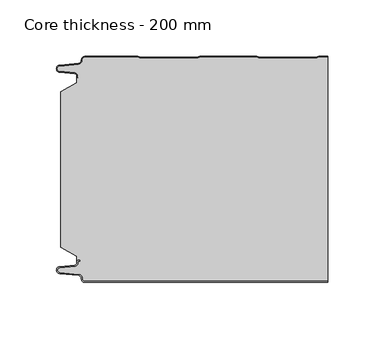
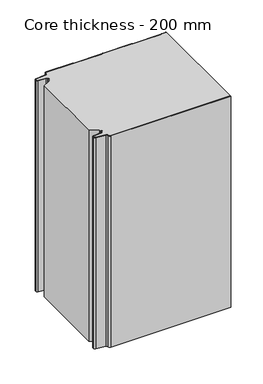
"""IFC4 building model written with IfcOpenShell, lengths in millimetres: plate geometry, Core thickness - 200 mm."""

from ifc_helpers import new_model, si_unit, frame, origin, place, context, project, spatial, polyline, circle_curve, source, transform, mapped, element, save
from ifc_brep_helpers import plane_surface, cylinder_surface, revolved_surface, advanced_brep


def core_thickness_200_mm_0a9386b5(model_context):
    return source(origin(), model_context, "Body", "AdvancedBrep", [
        advanced_brep(
        [(-94.8000003, -199.9996949, 0.0), (-97.9923632, -196.5787437, 0.0), (-100.2560431, -193.9171154, 0.0), (-117.2115315, -192.2546153, 0.0), (-119.9999998, -189.1776715, 0.0), (-117.2115315, -186.1007278, 0.0), (-103.6195785, -184.7680252, 0.0), (-101.9952277, -182.9766159, 0.0), (-101.9952277, -181.8996949, 0.0), (-100.5952277, -180.4996949, 0.0), (-99.4952277, -180.4996949, 0.0), (-99.4952277, -181.2996949, 0.0), (-100.5952277, -181.2996949, 0.0), (-101.1952277, -181.8996949, 0.0), (-101.1952277, -182.9766159, 0.0), (-103.5415122, -185.5642071, 0.0), (-117.1334652, -186.8969097, 0.0), (-119.1999997, -189.1776715, 0.0), (-117.1334652, -191.4584333, 0.0), (-100.1779767, -193.1209335, 0.0), (-97.2078761, -196.6330399, 0.0), (-94.8000003, -199.1996949, 0.0), (119.9999998, -199.2, 0.0), (119.9999998, -199.9996949, 0.0), (-94.8000003, -199.1996949, 400.0), (-97.1942724, -196.6339815, 400.0), (-100.1779767, -193.1209335, 400.0), (-117.1334652, -191.4584333, 400.0), (-119.1999997, -189.1776715, 400.0), (-117.1334652, -186.8969097, 400.0), (-103.5415122, -185.5642071, 400.0), (-101.1952277, -182.9766159, 400.0), (-101.1952277, -181.8996949, 400.0), (-100.5952277, -181.2996949, 400.0), (-99.4952277, -181.2996949, 400.0), (-99.4952277, -180.4996949, 400.0), (-100.5952277, -180.4996949, 400.0), (-101.9952277, -181.8996949, 400.0), (-101.9952277, -182.9766159, 400.0), (-103.6195785, -184.7680252, 400.0), (-117.2115315, -186.1007278, 400.0), (-119.9999998, -189.1776715, 400.0), (-117.2115315, -192.2546153, 400.0), (-100.2560431, -193.9171154, 400.0), (-98.0059668, -196.5778021, 400.0), (-94.8000003, -199.9996949, 400.0), (119.9999998, -199.9996949, 400.0), (119.9999998, -199.2, 400.0)],
        [
            (0, 1, circle_curve(frame((-94.8000003, -196.7996949, 0.0), z_axis=(0.0, 0.0, -1.0), x_axis=(1.0, 0.0, 0.0)), 3.2)),
            (1, 2, circle_curve(frame((-100.5000003, -196.4051839, 0.0), z_axis=(0.0, 0.0, 1.0), x_axis=(1.0, 0.0, 0.0)), 2.5)),
            (2, 3),
            (3, 4, circle_curve(frame((-116.9100003, -189.1793626, 0.0), z_axis=(0.0, 0.0, -1.0), x_axis=(1.0, 0.0, 0.0)), 3.09)),
            (4, 5, circle_curve(frame((-116.9100003, -189.1759805, 0.0), z_axis=(0.0, 0.0, -1.0), x_axis=(1.0, 0.0, 0.0)), 3.09)),
            (5, 6),
            (6, 7, circle_curve(frame((-103.7952277, -182.9766159, 0.0), z_axis=(0.0, 0.0, 1.0), x_axis=(1.0, 0.0, 0.0)), 1.8)),
            (7, 8),
            (8, 9, circle_curve(frame((-100.5952277, -181.8996949, 0.0), z_axis=(0.0, 0.0, -1.0), x_axis=(1.0, 0.0, 0.0)), 1.4)),
            (9, 10),
            (10, 11),
            (11, 12),
            (12, 13, circle_curve(frame((-100.5952277, -181.8996949, 0.0), z_axis=(0.0, 0.0, 1.0), x_axis=(1.0, 0.0, 0.0)), 0.6)),
            (13, 14),
            (14, 15, circle_curve(frame((-103.7952277, -182.9766159, 0.0), z_axis=(0.0, 0.0, -1.0), x_axis=(1.0, 0.0, 0.0)), 2.6)),
            (15, 16),
            (16, 17, circle_curve(frame((-116.9100003, -189.1759805, 0.0), z_axis=(0.0, 0.0, 1.0), x_axis=(1.0, 0.0, 0.0)), 2.29)),
            (17, 18, circle_curve(frame((-116.9100003, -189.1793626, 0.0), z_axis=(0.0, 0.0, 1.0), x_axis=(1.0, 0.0, 0.0)), 2.29)),
            (18, 19),
            (19, 20, circle_curve(frame((-100.5000003, -196.4051839, 0.0), z_axis=(0.0, 0.0, -1.0), x_axis=(1.0, 0.0, 0.0)), 3.3)),
            (20, 21, circle_curve(frame((-94.8000003, -196.7996949, 0.0), z_axis=(0.0, 0.0, 1.0), x_axis=(1.0, 0.0, 0.0)), 2.4)),
            (21, 22),
            (22, 23),
            (23, 0),
            (24, 25, circle_curve(frame((-94.8000003, -196.7996949, 400.0), z_axis=(0.0, 0.0, -1.0), x_axis=(1.0, 0.0, 0.0)), 2.4)),
            (25, 26, circle_curve(frame((-100.5000003, -196.4051839, 400.0), z_axis=(0.0, 0.0, 1.0), x_axis=(1.0, 0.0, 0.0)), 3.3)),
            (26, 27),
            (27, 28, circle_curve(frame((-116.9100003, -189.1793626, 400.0), z_axis=(0.0, 0.0, -1.0), x_axis=(1.0, 0.0, 0.0)), 2.29)),
            (28, 29, circle_curve(frame((-116.9100003, -189.1759805, 400.0), z_axis=(0.0, 0.0, -1.0), x_axis=(1.0, 0.0, 0.0)), 2.29)),
            (29, 30),
            (30, 31, circle_curve(frame((-103.7952277, -182.9766159, 400.0), z_axis=(0.0, 0.0, 1.0), x_axis=(1.0, 0.0, 0.0)), 2.6)),
            (31, 32),
            (32, 33, circle_curve(frame((-100.5952277, -181.8996949, 400.0), z_axis=(0.0, 0.0, -1.0), x_axis=(1.0, 0.0, 0.0)), 0.6)),
            (33, 34),
            (34, 35),
            (35, 36),
            (36, 37, circle_curve(frame((-100.5952277, -181.8996949, 400.0), z_axis=(0.0, 0.0, 1.0), x_axis=(1.0, 0.0, 0.0)), 1.4)),
            (37, 38),
            (38, 39, circle_curve(frame((-103.7952277, -182.9766159, 400.0), z_axis=(0.0, 0.0, -1.0), x_axis=(1.0, 0.0, 0.0)), 1.8)),
            (39, 40),
            (40, 41, circle_curve(frame((-116.9100003, -189.1759805, 400.0), z_axis=(0.0, 0.0, 1.0), x_axis=(1.0, 0.0, 0.0)), 3.09)),
            (41, 42, circle_curve(frame((-116.9100003, -189.1793626, 400.0), z_axis=(0.0, 0.0, 1.0), x_axis=(1.0, 0.0, 0.0)), 3.09)),
            (42, 43),
            (43, 44, circle_curve(frame((-100.5000003, -196.4051839, 400.0), z_axis=(0.0, 0.0, -1.0), x_axis=(1.0, 0.0, 0.0)), 2.5)),
            (44, 45, circle_curve(frame((-94.8000003, -196.7996949, 400.0), z_axis=(0.0, 0.0, 1.0), x_axis=(1.0, 0.0, 0.0)), 3.2)),
            (45, 46),
            (46, 47),
            (47, 24),
            (21, 24),
            (47, 22),
            (20, 25),
            (19, 26),
            (18, 27),
            (17, 28),
            (16, 29),
            (15, 30),
            (14, 31),
            (13, 32),
            (12, 33),
            (11, 34),
            (10, 35),
            (9, 36),
            (8, 37),
            (7, 38),
            (6, 39),
            (5, 40),
            (4, 41),
            (3, 42),
            (2, 43),
            (1, 44),
            (0, 45),
            (23, 46),
        ],
        [
            plane_surface(frame((-119.9999998, -200.0, 0.0), z_axis=(0.0, 0.0, -1.0), x_axis=(0.0, 1.0, 0.0))),
            plane_surface(frame((-119.9999998, -200.0, 400.0), z_axis=(0.0, 0.0, 1.0), x_axis=(0.0, 1.0, 0.0))),
            plane_surface(frame((-94.8000003, -199.2, 0.0), z_axis=(0.0, 1.0, 0.0), x_axis=(0.0, 0.0, 1.0))),
            revolved_surface(polyline([(-92.40000029999999, -196.7996949, 400.0), (-92.40000029999999, -196.7996949, 0.0)]), (-94.8000003, -196.7996949, 0.0), (0.0, 0.0, 1.0)),
            cylinder_surface(frame((-100.5000003, -196.4051839, 0.0), z_axis=(0.0, 0.0, -1.0), x_axis=(1.0, 0.0, 0.0)), 3.3),
            plane_surface(frame((-117.1334652, -191.4584333, 0.0), z_axis=(0.09758289975914758, 0.9952273999818314, 0.0), x_axis=(0.0, 0.0, 1.0))),
            revolved_surface(polyline([(-114.62000029999999, -189.1793626, 400.0), (-114.62000029999999, -189.1793626, 0.0)]), (-116.9100003, -189.1793626, 0.0), (0.0, 0.0, 1.0)),
            revolved_surface(polyline([(-114.62000029999999, -189.1759805, 400.0), (-114.62000029999999, -189.1759805, 0.0)]), (-116.9100003, -189.1759805, 0.0), (0.0, 0.0, 1.0)),
            plane_surface(frame((-103.5415122, -185.5642071, 0.0), z_axis=(0.09758289975914383, -0.9952273999818317, 0.0), x_axis=(0.0, 0.0, 1.0))),
            cylinder_surface(frame((-103.7952277, -182.9766159, 0.0), z_axis=(0.0, 0.0, -1.0), x_axis=(1.0, 0.0, 0.0)), 2.6),
            plane_surface(frame((-101.1952277, -181.8996949, 0.0), z_axis=(1.0, 0.0, 0.0), x_axis=(0.0, 0.0, 1.0))),
            revolved_surface(polyline([(-99.9952277, -181.8996949, 400.0), (-99.9952277, -181.8996949, 0.0)]), (-100.5952277, -181.8996949, 0.0), (0.0, 0.0, 1.0)),
            plane_surface(frame((-99.4952277, -181.2996949, 0.0), z_axis=(0.0, -1.0, 0.0), x_axis=(0.0, 0.0, 1.0))),
            plane_surface(frame((-99.4952277, -180.4996949, 0.0), z_axis=(1.0, 0.0, 0.0), x_axis=(0.0, 0.0, 1.0))),
            plane_surface(frame((-100.5952277, -180.4996949, 0.0), z_axis=(0.0, 1.0, 0.0), x_axis=(0.0, 0.0, 1.0))),
            cylinder_surface(frame((-100.5952277, -181.8996949, 0.0), z_axis=(0.0, 0.0, -1.0), x_axis=(1.0, 0.0, 0.0)), 1.4),
            plane_surface(frame((-101.9952277, -182.9766159, 0.0), z_axis=(-1.0, 0.0, 0.0), x_axis=(0.0, 0.0, 1.0))),
            revolved_surface(polyline([(-101.9952277, -182.9766159, 400.0), (-101.9952277, -182.9766159, 0.0)]), (-103.7952277, -182.9766159, 0.0), (0.0, 0.0, 1.0)),
            plane_surface(frame((-117.2115315, -186.1007278, 0.0), z_axis=(-0.09758289975914387, 0.9952273999818317, 0.0), x_axis=(0.0, 0.0, 1.0))),
            cylinder_surface(frame((-116.9100003, -189.1759805, 0.0), z_axis=(0.0, 0.0, -1.0), x_axis=(1.0, 0.0, 0.0)), 3.09),
            cylinder_surface(frame((-116.9100003, -189.1793626, 0.0), z_axis=(0.0, 0.0, -1.0), x_axis=(1.0, 0.0, 0.0)), 3.09),
            plane_surface(frame((-100.2560431, -193.9171154, 0.0), z_axis=(-0.09758289975914762, -0.9952273999818314, 0.0), x_axis=(0.0, 0.0, 1.0))),
            revolved_surface(polyline([(-98.0000003, -196.4051839, 400.0), (-98.0000003, -196.4051839, 0.0)]), (-100.5000003, -196.4051839, 0.0), (0.0, 0.0, 1.0)),
            cylinder_surface(frame((-94.8000003, -196.7996949, 0.0), z_axis=(0.0, 0.0, -1.0), x_axis=(1.0, 0.0, 0.0)), 3.2),
            plane_surface(frame((896.009932, -199.9996949, 0.0), z_axis=(0.0, -1.0, 0.0), x_axis=(0.0, 0.0, 1.0))),
            plane_surface(frame((119.9999998, 180.0, 400.0), z_axis=(1.0, 0.0, 0.0), x_axis=(0.0, 0.0, -1.0))),
        ],
        [
            (0, [[1, 2, 3, 4, 5, 6, 7, 8, 9, 10, 11, 12, 13, 14, 15, 16, 17, 18, 19, 20, 21, 22, 23, 24]]),
            (1, [[25, 26, 27, 28, 29, 30, 31, 32, 33, 34, 35, 36, 37, 38, 39, 40, 41, 42, 43, 44, 45, 46, 47, 48]]),
            (2, [[49, -48, 50, -22]]),
            (3, [[-21, 51, -25, -49]]),
            (4, [[-20, 52, -26, -51]]),
            (5, [[-19, 53, -27, -52]]),
            (6, [[-18, 54, -28, -53]]),
            (7, [[-17, 55, -29, -54]]),
            (8, [[-16, 56, -30, -55]]),
            (9, [[-15, 57, -31, -56]]),
            (10, [[-14, 58, -32, -57]]),
            (11, [[-13, 59, -33, -58]]),
            (12, [[-12, 60, -34, -59]]),
            (13, [[-11, 61, -35, -60]]),
            (14, [[-10, 62, -36, -61]]),
            (15, [[-9, 63, -37, -62]]),
            (16, [[-8, 64, -38, -63]]),
            (17, [[-7, 65, -39, -64]]),
            (18, [[-6, 66, -40, -65]]),
            (19, [[-5, 67, -41, -66]]),
            (20, [[-4, 68, -42, -67]]),
            (21, [[-3, 69, -43, -68]]),
            (22, [[-2, 70, -44, -69]]),
            (23, [[-1, 71, -45, -70]]),
            (24, [[-71, -24, 72, -46]]),
            (25, [[-23, -50, -47, -72]]),
        ],
    ),
        advanced_brep(
        [(-101.9952277, -23.1062917, 400.0), (-116.0446509, -31.1628062, 400.0), (-116.0446509, -168.7531937, 400.0), (-101.9952277, -176.8937083, 400.0), (-101.9952277, -180.4996949, 400.0), (-101.9952277, -181.8996949, 400.0), (-100.5952277, -180.4996949, 400.0), (-99.4952277, -180.4996949, 400.0), (-99.4952277, -181.2996949, 400.0), (-100.5952277, -181.2996949, 400.0), (-101.1952277, -181.8996949, 400.0), (-101.1952277, -182.9766159, 400.0), (-103.5415122, -185.5642071, 400.0), (-117.1334652, -186.8969097, 400.0), (-119.1999997, -189.1776715, 400.0), (-117.1334652, -191.4584333, 400.0), (-100.1779767, -193.1209335, 400.0), (-97.2078761, -196.6330399, 400.0), (-94.8000003, -199.1996949, 400.0), (119.9999998, -199.2, 400.0), (119.9999998, -0.8, 400.0), (112.3119565, -0.8, 400.0), (111.2605406, -1.0986697, 400.0), (109.8401597, -1.5003051, 400.0), (59.6803765, -1.5003051, 400.0), (58.2609651, -1.0971009, 400.0), (57.2085797, -0.8, 400.0), (7.0487965, -0.8, 400.0), (5.9973806, -1.0986697, 400.0), (4.5769997, -1.5003051, 400.0), (-45.5827835, -1.5003051, 400.0), (-47.0021949, -1.0971009, 400.0), (-48.0545803, -0.8, 400.0), (-94.8000003, -0.8, 400.0), (-97.1942724, -3.3660185, 400.0), (-100.1779767, -6.8790665, 400.0), (-117.1334652, -8.5415667, 400.0), (-119.1999997, -10.8223285, 400.0), (-117.1334652, -13.1030903, 400.0), (-103.5415122, -14.4357929, 400.0), (-101.1952277, -17.0233841, 400.0), (-101.1952277, -18.1003051, 400.0), (-100.5952277, -18.7003051, 400.0), (-99.4952277, -18.7003051, 400.0), (-99.4952277, -19.5003051, 400.0), (-100.5952277, -19.5003051, 400.0), (-101.9952277, -18.1003051, 400.0), (-101.9952277, -19.5003051, 400.0), (-101.9952277, -176.8937083, 0.0), (-116.0446509, -168.7531937, 0.0), (-116.0446509, -31.1628062, 0.0), (-101.9952277, -23.1062917, 0.0), (-101.9952277, -19.5003051, 0.0), (-101.9952277, -18.1003051, 0.0), (-100.5952277, -19.5003051, 0.0), (-99.4952277, -19.5003051, 0.0), (-99.4952277, -18.7003051, 0.0), (-100.5952277, -18.7003051, 0.0), (-101.1952277, -18.1003051, 0.0), (-101.1952277, -17.0233841, 0.0), (-103.5415122, -14.4357929, 0.0), (-117.1334652, -13.1030903, 0.0), (-119.1999997, -10.8223285, 0.0), (-117.1334652, -8.5415667, 0.0), (-100.1779767, -6.8790665, 0.0), (-97.2078761, -3.3669601, 0.0), (-94.8000003, -0.8003051, 0.0), (-48.0545803, -0.8, 0.0), (-47.0031645, -1.0986697, 0.0), (-45.5827835, -1.5003051, 0.0), (4.5769997, -1.5003051, 0.0), (5.9964111, -1.0971009, 0.0), (7.0487965, -0.8, 0.0), (57.2085797, -0.8, 0.0), (58.2599955, -1.0986697, 0.0), (59.6803765, -1.5003051, 0.0), (109.8401597, -1.5003051, 0.0), (111.2595711, -1.0971009, 0.0), (112.3119565, -0.8, 0.0), (119.9999998, -0.8, 0.0), (119.9999998, -199.2, 0.0), (-94.8000003, -199.2, 0.0), (-97.1942724, -196.6339815, 0.0), (-100.1779767, -193.1209335, 0.0), (-117.1334652, -191.4584333, 0.0), (-119.1999997, -189.1776715, 0.0), (-117.1334652, -186.8969097, 0.0), (-103.5415122, -185.5642071, 0.0), (-101.1952277, -182.9766159, 0.0), (-101.1952277, -181.8996949, 0.0), (-100.5952277, -181.2996949, 0.0), (-99.4952277, -181.2996949, 0.0), (-99.4952277, -180.4996949, 0.0), (-100.5952277, -180.4996949, 0.0), (-101.9952277, -181.8996949, 0.0), (-101.9952277, -180.4996949, 0.0)],
        [
            (0, 1),
            (1, 2),
            (2, 3),
            (3, 4),
            (4, 5),
            (5, 6, circle_curve(frame((-100.5952277, -181.8996949, 400.0), z_axis=(0.0, 0.0, -1.0), x_axis=(1.0, 0.0, 0.0)), 1.4)),
            (6, 7),
            (7, 8),
            (8, 9),
            (9, 10, circle_curve(frame((-100.5952277, -181.8996949, 400.0), z_axis=(0.0, 0.0, 1.0), x_axis=(1.0, 0.0, 0.0)), 0.6)),
            (10, 11),
            (11, 12, circle_curve(frame((-103.7952277, -182.9766159, 400.0), z_axis=(0.0, 0.0, -1.0), x_axis=(1.0, 0.0, 0.0)), 2.6)),
            (12, 13),
            (13, 14, circle_curve(frame((-116.9100003, -189.1759805, 400.0), z_axis=(0.0, 0.0, 1.0), x_axis=(1.0, 0.0, 0.0)), 2.29)),
            (14, 15, circle_curve(frame((-116.9100003, -189.1793626, 400.0), z_axis=(0.0, 0.0, 1.0), x_axis=(1.0, 0.0, 0.0)), 2.29)),
            (15, 16),
            (16, 17, circle_curve(frame((-100.5000003, -196.4051839, 400.0), z_axis=(0.0, 0.0, -1.0), x_axis=(1.0, 0.0, 0.0)), 3.3)),
            (17, 18, circle_curve(frame((-94.8000003, -196.7996949, 400.0), z_axis=(0.0, 0.0, 1.0), x_axis=(1.0, 0.0, 0.0)), 2.4)),
            (18, 19),
            (19, 20),
            (20, 21),
            (21, 22, circle_curve(frame((112.3119565, -2.8, 400.0), z_axis=(0.0, 0.0, 1.0), x_axis=(1.0, 0.0, 0.0)), 2.0)),
            (22, 23, circle_curve(frame((109.8401597, 1.1996949, 400.0), z_axis=(0.0, 0.0, -1.0), x_axis=(1.0, 0.0, 0.0)), 2.7)),
            (23, 24),
            (24, 25, circle_curve(frame((59.6803765, 1.1996949, 400.0), z_axis=(0.0, 0.0, -1.0), x_axis=(1.0, 0.0, 0.0)), 2.7)),
            (25, 26, circle_curve(frame((57.2085797, -2.8, 400.0), z_axis=(0.0, 0.0, 1.0), x_axis=(1.0, 0.0, 0.0)), 2.0)),
            (26, 27),
            (27, 28, circle_curve(frame((7.0487965, -2.8, 400.0), z_axis=(0.0, 0.0, 1.0), x_axis=(1.0, 0.0, 0.0)), 2.0)),
            (28, 29, circle_curve(frame((4.5769997, 1.1996949, 400.0), z_axis=(0.0, 0.0, -1.0), x_axis=(1.0, 0.0, 0.0)), 2.7)),
            (29, 30),
            (30, 31, circle_curve(frame((-45.5827835, 1.1996949, 400.0), z_axis=(0.0, 0.0, -1.0), x_axis=(1.0, 0.0, 0.0)), 2.7)),
            (31, 32, circle_curve(frame((-48.0545803, -2.8, 400.0), z_axis=(0.0, 0.0, 1.0), x_axis=(1.0, 0.0, 0.0)), 2.0)),
            (32, 33),
            (33, 34, circle_curve(frame((-94.8000003, -3.2003051, 400.0), z_axis=(0.0, 0.0, 1.0), x_axis=(1.0, 0.0, 0.0)), 2.4)),
            (34, 35, circle_curve(frame((-100.5000003, -3.5948161, 400.0), z_axis=(0.0, 0.0, -1.0), x_axis=(1.0, 0.0, 0.0)), 3.3)),
            (35, 36),
            (36, 37, circle_curve(frame((-116.9100003, -10.8206374, 400.0), z_axis=(0.0, 0.0, 1.0), x_axis=(1.0, 0.0, 0.0)), 2.29)),
            (37, 38, circle_curve(frame((-116.9100003, -10.8240195, 400.0), z_axis=(0.0, 0.0, 1.0), x_axis=(1.0, 0.0, 0.0)), 2.29)),
            (38, 39),
            (39, 40, circle_curve(frame((-103.7952277, -17.0233841, 400.0), z_axis=(0.0, 0.0, -1.0), x_axis=(1.0, 0.0, 0.0)), 2.6)),
            (40, 41),
            (41, 42, circle_curve(frame((-100.5952277, -18.1003051, 400.0), z_axis=(0.0, 0.0, 1.0), x_axis=(1.0, 0.0, 0.0)), 0.6)),
            (42, 43),
            (43, 44),
            (44, 45),
            (45, 46, circle_curve(frame((-100.5952277, -18.1003051, 400.0), z_axis=(0.0, 0.0, -1.0), x_axis=(1.0, 0.0, 0.0)), 1.4)),
            (46, 47),
            (47, 0),
            (48, 49),
            (49, 50),
            (50, 51),
            (51, 52),
            (52, 53),
            (53, 54, circle_curve(frame((-100.5952277, -18.1003051, 0.0), z_axis=(0.0, 0.0, 1.0), x_axis=(1.0, 0.0, 0.0)), 1.4)),
            (54, 55),
            (55, 56),
            (56, 57),
            (57, 58, circle_curve(frame((-100.5952277, -18.1003051, 0.0), z_axis=(0.0, 0.0, -1.0), x_axis=(1.0, 0.0, 0.0)), 0.6)),
            (58, 59),
            (59, 60, circle_curve(frame((-103.7952277, -17.0233841, 0.0), z_axis=(0.0, 0.0, 1.0), x_axis=(1.0, 0.0, 0.0)), 2.6)),
            (60, 61),
            (61, 62, circle_curve(frame((-116.9100003, -10.8240195, 0.0), z_axis=(0.0, 0.0, -1.0), x_axis=(1.0, 0.0, 0.0)), 2.29)),
            (62, 63, circle_curve(frame((-116.9100003, -10.8206374, 0.0), z_axis=(0.0, 0.0, -1.0), x_axis=(1.0, 0.0, 0.0)), 2.29)),
            (63, 64),
            (64, 65, circle_curve(frame((-100.5000003, -3.5948161, 0.0), z_axis=(0.0, 0.0, 1.0), x_axis=(1.0, 0.0, 0.0)), 3.3)),
            (65, 66, circle_curve(frame((-94.8000003, -3.2003051, 0.0), z_axis=(0.0, 0.0, -1.0), x_axis=(1.0, 0.0, 0.0)), 2.4)),
            (66, 67),
            (67, 68, circle_curve(frame((-48.0545803, -2.8, 0.0), z_axis=(0.0, 0.0, -1.0), x_axis=(1.0, 0.0, 0.0)), 2.0)),
            (68, 69, circle_curve(frame((-45.5827835, 1.1996949, 0.0), z_axis=(0.0, 0.0, 1.0), x_axis=(1.0, 0.0, 0.0)), 2.7)),
            (69, 70),
            (70, 71, circle_curve(frame((4.5769997, 1.1996949, 0.0), z_axis=(0.0, 0.0, 1.0), x_axis=(1.0, 0.0, 0.0)), 2.7)),
            (71, 72, circle_curve(frame((7.0487965, -2.8, 0.0), z_axis=(0.0, 0.0, -1.0), x_axis=(1.0, 0.0, 0.0)), 2.0)),
            (72, 73),
            (73, 74, circle_curve(frame((57.2085797, -2.8, 0.0), z_axis=(0.0, 0.0, -1.0), x_axis=(1.0, 0.0, 0.0)), 2.0)),
            (74, 75, circle_curve(frame((59.6803765, 1.1996949, 0.0), z_axis=(0.0, 0.0, 1.0), x_axis=(1.0, 0.0, 0.0)), 2.7)),
            (75, 76),
            (76, 77, circle_curve(frame((109.8401597, 1.1996949, 0.0), z_axis=(0.0, 0.0, 1.0), x_axis=(1.0, 0.0, 0.0)), 2.7)),
            (77, 78, circle_curve(frame((112.3119565, -2.8, 0.0), z_axis=(0.0, 0.0, -1.0), x_axis=(1.0, 0.0, 0.0)), 2.0)),
            (78, 79),
            (79, 80),
            (80, 81),
            (81, 82, circle_curve(frame((-94.8000003, -196.7996949, 0.0), z_axis=(0.0, 0.0, -1.0), x_axis=(1.0, 0.0, 0.0)), 2.4)),
            (82, 83, circle_curve(frame((-100.5000003, -196.4051839, 0.0), z_axis=(0.0, 0.0, 1.0), x_axis=(1.0, 0.0, 0.0)), 3.3)),
            (83, 84),
            (84, 85, circle_curve(frame((-116.9100003, -189.1793626, 0.0), z_axis=(0.0, 0.0, -1.0), x_axis=(1.0, 0.0, 0.0)), 2.29)),
            (85, 86, circle_curve(frame((-116.9100003, -189.1759805, 0.0), z_axis=(0.0, 0.0, -1.0), x_axis=(1.0, 0.0, 0.0)), 2.29)),
            (86, 87),
            (87, 88, circle_curve(frame((-103.7952277, -182.9766159, 0.0), z_axis=(0.0, 0.0, 1.0), x_axis=(1.0, 0.0, 0.0)), 2.6)),
            (88, 89),
            (89, 90, circle_curve(frame((-100.5952277, -181.8996949, 0.0), z_axis=(0.0, 0.0, -1.0), x_axis=(1.0, 0.0, 0.0)), 0.6)),
            (90, 91),
            (91, 92),
            (92, 93),
            (93, 94, circle_curve(frame((-100.5952277, -181.8996949, 0.0), z_axis=(0.0, 0.0, 1.0), x_axis=(1.0, 0.0, 0.0)), 1.4)),
            (94, 95),
            (95, 48),
            (51, 0),
            (46, 53),
            (1, 50),
            (49, 2),
            (48, 3),
            (94, 5),
            (18, 81),
            (80, 19),
            (17, 82),
            (16, 83),
            (15, 84),
            (14, 85),
            (13, 86),
            (12, 87),
            (11, 88),
            (10, 89),
            (9, 90),
            (8, 91),
            (7, 92),
            (6, 93),
            (66, 33),
            (32, 67),
            (31, 68),
            (30, 69),
            (29, 70),
            (28, 71),
            (27, 72),
            (26, 73),
            (25, 74),
            (24, 75),
            (23, 76),
            (22, 77),
            (21, 78),
            (20, 79),
            (45, 54),
            (44, 55),
            (43, 56),
            (42, 57),
            (41, 58),
            (40, 59),
            (39, 60),
            (38, 61),
            (37, 62),
            (36, 63),
            (35, 64),
            (34, 65),
        ],
        [
            plane_surface(frame((-119.9999998, 0.0, 400.0), z_axis=(0.0, 0.0, 1.0), x_axis=(0.0, -1.0, 0.0))),
            plane_surface(frame((-119.9999998, 0.0, 0.0), z_axis=(0.0, 0.0, -1.0), x_axis=(0.0, -1.0, 0.0))),
            plane_surface(frame((-101.9952277, -17.0229218, 400.0), z_axis=(-1.0, 0.0, 0.0), x_axis=(0.0, 0.0, -1.0))),
            plane_surface(frame((-116.0446509, -31.1628062, 400.0), z_axis=(-1.0, 0.0, 0.0), x_axis=(0.0, 0.0, -1.0))),
            plane_surface(frame((-101.9952277, -23.1062917, 400.0), z_axis=(-0.4974543664933155, 0.8674901459133322, 0.0), x_axis=(0.0, 0.0, -1.0))),
            plane_surface(frame((-116.0446509, -168.7531937, 400.0), z_axis=(-0.5013424225369615, -0.8652489672717159, 0.0), x_axis=(0.0, 0.0, -1.0))),
            plane_surface(frame((-101.9952277, -176.8937083, 400.0), z_axis=(-1.0, 0.0, 0.0), x_axis=(0.0, 0.0, -1.0))),
            plane_surface(frame((896.009932, -199.2, 530.0), z_axis=(0.0, -1.0, 0.0), x_axis=(0.0, 0.0, -1.0))),
            cylinder_surface(frame((-94.8000003, -196.7996949, 530.0), z_axis=(0.0, 0.0, -1.0), x_axis=(1.0, 0.0, 0.0)), 2.4),
            revolved_surface(polyline([(-97.2000003, -196.4051839, 400.0), (-97.2000003, -196.4051839, 0.0)]), (-100.5000003, -196.4051839, 530.0), (0.0, 0.0, 1.0)),
            plane_surface(frame((-100.1779767, -193.1209335, 530.0), z_axis=(-0.09758289975914758, -0.9952273999818314, 0.0), x_axis=(0.0, 0.0, -1.0))),
            cylinder_surface(frame((-116.9100003, -189.1793626, 530.0), z_axis=(0.0, 0.0, -1.0), x_axis=(1.0, 0.0, 0.0)), 2.29),
            cylinder_surface(frame((-116.9100003, -189.1759805, 530.0), z_axis=(0.0, 0.0, -1.0), x_axis=(1.0, 0.0, 0.0)), 2.29),
            plane_surface(frame((-117.1334652, -186.8969097, 530.0), z_axis=(-0.09758289975914383, 0.9952273999818317, 0.0), x_axis=(0.0, 0.0, -1.0))),
            revolved_surface(polyline([(-101.1952277, -182.9766159, 400.0), (-101.1952277, -182.9766159, 0.0)]), (-103.7952277, -182.9766159, 530.0), (0.0, 0.0, 1.0)),
            plane_surface(frame((-101.1952277, -182.9766159, 530.0), z_axis=(-1.0, 0.0, 0.0), x_axis=(0.0, 0.0, -1.0))),
            cylinder_surface(frame((-100.5952277, -181.8996949, 530.0), z_axis=(0.0, 0.0, -1.0), x_axis=(1.0, 0.0, 0.0)), 0.6),
            plane_surface(frame((-100.5952277, -181.2996949, 530.0), z_axis=(0.0, 1.0, 0.0), x_axis=(0.0, 0.0, -1.0))),
            plane_surface(frame((-99.4952277, -181.2996949, 530.0), z_axis=(-1.0, 0.0, 0.0), x_axis=(0.0, 0.0, -1.0))),
            plane_surface(frame((-99.4952277, -180.4996949, 530.0), z_axis=(0.0, -1.0, 0.0), x_axis=(0.0, 0.0, -1.0))),
            revolved_surface(polyline([(-99.19522769999999, -181.8996949, 400.0), (-99.19522769999999, -181.8996949, 0.0)]), (-100.5952277, -181.8996949, 530.0), (0.0, 0.0, 1.0)),
            plane_surface(frame((-94.8000003, -0.8, 530.0), z_axis=(0.0, 1.0, 0.0), x_axis=(0.0, 0.0, -1.0))),
            cylinder_surface(frame((-48.0545803, -2.8, 530.0), z_axis=(0.0, 0.0, -1.0), x_axis=(1.0, 0.0, 0.0)), 2.0),
            revolved_surface(polyline([(-42.882783499999995, 1.1996949, 400.0), (-42.882783499999995, 1.1996949, 0.0)]), (-45.5827835, 1.1996949, 530.0), (0.0, 0.0, 1.0)),
            plane_surface(frame((-45.5827835, -1.5003051, 530.0), z_axis=(0.0, 1.0, 0.0), x_axis=(0.0, 0.0, -1.0))),
            revolved_surface(polyline([(7.2769997, 1.1996949, 400.0), (7.2769997, 1.1996949, 0.0)]), (4.5769997, 1.1996949, 530.0), (0.0, 0.0, 1.0)),
            cylinder_surface(frame((7.0487965, -2.8, 530.0), z_axis=(0.0, 0.0, -1.0), x_axis=(1.0, 0.0, 0.0)), 2.0),
            plane_surface(frame((7.0487965, -0.8, 530.0), z_axis=(0.0, 1.0, 0.0), x_axis=(0.0, 0.0, -1.0))),
            cylinder_surface(frame((57.2085797, -2.8, 530.0), z_axis=(0.0, 0.0, -1.0), x_axis=(1.0, 0.0, 0.0)), 2.0),
            revolved_surface(polyline([(62.380376500000004, 1.1996949, 400.0), (62.380376500000004, 1.1996949, 0.0)]), (59.6803765, 1.1996949, 530.0), (0.0, 0.0, 1.0)),
            plane_surface(frame((59.6803765, -1.5003051, 530.0), z_axis=(0.0, 1.0, 0.0), x_axis=(0.0, 0.0, -1.0))),
            revolved_surface(polyline([(112.5401597, 1.1996949, 400.0), (112.5401597, 1.1996949, 0.0)]), (109.8401597, 1.1996949, 530.0), (0.0, 0.0, 1.0)),
            cylinder_surface(frame((112.3119565, -2.8, 530.0), z_axis=(0.0, 0.0, -1.0), x_axis=(1.0, 0.0, 0.0)), 2.0),
            plane_surface(frame((112.3119565, -0.8, 530.0), z_axis=(0.0, 1.0, 0.0), x_axis=(0.0, 0.0, -1.0))),
            revolved_surface(polyline([(-99.19522769999999, -18.1003051, 400.0), (-99.19522769999999, -18.1003051, 0.0)]), (-100.5952277, -18.1003051, 530.0), (0.0, 0.0, 1.0)),
            plane_surface(frame((-100.5952277, -19.5003051, 530.0), z_axis=(0.0, 1.0, 0.0), x_axis=(0.0, 0.0, -1.0))),
            plane_surface(frame((-99.4952277, -19.5003051, 530.0), z_axis=(-1.0, 0.0, 0.0), x_axis=(0.0, 0.0, -1.0))),
            plane_surface(frame((-99.4952277, -18.7003051, 530.0), z_axis=(0.0, -1.0, 0.0), x_axis=(0.0, 0.0, -1.0))),
            cylinder_surface(frame((-100.5952277, -18.1003051, 530.0), z_axis=(0.0, 0.0, -1.0), x_axis=(1.0, 0.0, 0.0)), 0.6),
            plane_surface(frame((-101.1952277, -18.1003051, 530.0), z_axis=(-1.0, 0.0, 0.0), x_axis=(0.0, 0.0, -1.0))),
            revolved_surface(polyline([(-101.1952277, -17.0233841, 400.0), (-101.1952277, -17.0233841, 0.0)]), (-103.7952277, -17.0233841, 530.0), (0.0, 0.0, 1.0)),
            plane_surface(frame((-103.5415122, -14.4357929, 530.0), z_axis=(-0.09758289975914705, -0.9952273999818314, 0.0), x_axis=(0.0, 0.0, -1.0))),
            cylinder_surface(frame((-116.9100003, -10.8240195, 530.0), z_axis=(0.0, 0.0, -1.0), x_axis=(1.0, 0.0, 0.0)), 2.29),
            cylinder_surface(frame((-116.9100003, -10.8206374, 530.0), z_axis=(0.0, 0.0, -1.0), x_axis=(1.0, 0.0, 0.0)), 2.29),
            plane_surface(frame((-117.1334652, -8.5415667, 530.0), z_axis=(-0.09758289975914436, 0.9952273999818317, 0.0), x_axis=(0.0, 0.0, -1.0))),
            revolved_surface(polyline([(-97.2000003, -3.5948161, 400.0), (-97.2000003, -3.5948161, 0.0)]), (-100.5000003, -3.5948161, 530.0), (0.0, 0.0, 1.0)),
            cylinder_surface(frame((-94.8000003, -3.2003051, 530.0), z_axis=(0.0, 0.0, -1.0), x_axis=(1.0, 0.0, 0.0)), 2.4),
            plane_surface(frame((119.9999998, 180.0, 400.0), z_axis=(1.0, 0.0, 0.0), x_axis=(0.0, 0.0, -1.0))),
        ],
        [
            (0, [[1, 2, 3, 4, 5, 6, 7, 8, 9, 10, 11, 12, 13, 14, 15, 16, 17, 18, 19, 20, 21, 22, 23, 24, 25, 26, 27, 28, 29, 30, 31, 32, 33, 34, 35, 36, 37, 38, 39, 40, 41, 42, 43, 44, 45, 46, 47, 48]]),
            (1, [[49, 50, 51, 52, 53, 54, 55, 56, 57, 58, 59, 60, 61, 62, 63, 64, 65, 66, 67, 68, 69, 70, 71, 72, 73, 74, 75, 76, 77, 78, 79, 80, 81, 82, 83, 84, 85, 86, 87, 88, 89, 90, 91, 92, 93, 94, 95, 96]]),
            (2, [[97, -48, -47, 98, -53, -52]]),
            (3, [[-2, 99, -50, 100]]),
            (4, [[-1, -97, -51, -99]]),
            (5, [[-3, -100, -49, 101]]),
            (6, [[-101, -96, -95, 102, -5, -4]]),
            (7, [[103, -81, 104, -19]]),
            (8, [[-103, -18, 105, -82]]),
            (9, [[-105, -17, 106, -83]]),
            (10, [[-106, -16, 107, -84]]),
            (11, [[-107, -15, 108, -85]]),
            (12, [[-108, -14, 109, -86]]),
            (13, [[-109, -13, 110, -87]]),
            (14, [[-110, -12, 111, -88]]),
            (15, [[-111, -11, 112, -89]]),
            (16, [[-112, -10, 113, -90]]),
            (17, [[-113, -9, 114, -91]]),
            (18, [[-114, -8, 115, -92]]),
            (19, [[-115, -7, 116, -93]]),
            (20, [[-116, -6, -102, -94]]),
            (21, [[117, -33, 118, -67]]),
            (22, [[-118, -32, 119, -68]]),
            (23, [[-119, -31, 120, -69]]),
            (24, [[-120, -30, 121, -70]]),
            (25, [[-121, -29, 122, -71]]),
            (26, [[-122, -28, 123, -72]]),
            (27, [[-123, -27, 124, -73]]),
            (28, [[-124, -26, 125, -74]]),
            (29, [[-125, -25, 126, -75]]),
            (30, [[-126, -24, 127, -76]]),
            (31, [[-127, -23, 128, -77]]),
            (32, [[-128, -22, 129, -78]]),
            (33, [[-129, -21, 130, -79]]),
            (34, [[131, -54, -98, -46]]),
            (35, [[-131, -45, 132, -55]]),
            (36, [[-132, -44, 133, -56]]),
            (37, [[-133, -43, 134, -57]]),
            (38, [[-134, -42, 135, -58]]),
            (39, [[-135, -41, 136, -59]]),
            (40, [[-136, -40, 137, -60]]),
            (41, [[-137, -39, 138, -61]]),
            (42, [[-138, -38, 139, -62]]),
            (43, [[-139, -37, 140, -63]]),
            (44, [[-140, -36, 141, -64]]),
            (45, [[-141, -35, 142, -65]]),
            (46, [[-117, -66, -142, -34]]),
            (47, [[-104, -80, -130, -20]]),
        ],
    ),
        advanced_brep(
        [(-47.0031645, -1.0986697, 0.0), (-48.0545803, -0.8, 0.0), (-94.8000003, -0.8, 0.0), (-97.1942724, -3.3660185, 0.0), (-100.1779767, -6.8790665, 0.0), (-117.1334652, -8.5415667, 0.0), (-119.1999997, -10.8223285, 0.0), (-117.1334652, -13.1030903, 0.0), (-103.5415122, -14.4357929, 0.0), (-101.1952277, -17.0233841, 0.0), (-101.1952277, -18.1003051, 0.0), (-100.5952277, -18.7003051, 0.0), (-99.4952277, -18.7003051, 0.0), (-99.4952277, -19.5003051, 0.0), (-100.5952277, -19.5003051, 0.0), (-101.9952277, -18.1003051, 0.0), (-101.9952277, -17.0233841, 0.0), (-103.6195785, -15.2319748, 0.0), (-117.2115315, -13.8992722, 0.0), (-119.9999998, -10.8223285, 0.0), (-117.2115315, -7.7453847, 0.0), (-100.2560431, -6.0828846, 0.0), (-98.0059668, -3.4221979, 0.0), (-94.8000003, -0.0003051, 0.0), (-48.0545803, -0.0003051, 0.0), (-46.6352472, -0.4034608, 0.0), (-45.5827835, -0.7003051, 0.0), (4.5769997, -0.7003051, 0.0), (5.6283575, -0.4016712, 0.0), (7.0487965, -0.0003051, 0.0), (57.2085797, -0.0003051, 0.0), (58.6279128, -0.4034608, 0.0), (59.6803765, -0.7003051, 0.0), (109.8401597, -0.7003051, 0.0), (110.8915175, -0.4016712, 0.0), (112.3119565, -0.0003051, 0.0), (119.9999998, -0.0003051, 0.0), (119.9999998, -0.8, 0.0), (112.3119565, -0.8, 0.0), (111.2605406, -1.0986697, 0.0), (109.8401597, -1.5003051, 0.0), (59.6803765, -1.5003051, 0.0), (58.2609651, -1.0971009, 0.0), (57.2085797, -0.8, 0.0), (7.0487965, -0.8, 0.0), (5.9973806, -1.0986697, 0.0), (4.5769997, -1.5003051, 0.0), (-45.5827835, -1.5003051, 0.0), (-47.0021949, -1.0971009, 400.0), (-45.5827835, -1.5003051, 400.0), (4.5769997, -1.5003051, 400.0), (5.9964111, -1.0971009, 400.0), (7.0487965, -0.8, 400.0), (57.2085797, -0.8, 400.0), (58.2599955, -1.0986697, 400.0), (59.6803765, -1.5003051, 400.0), (109.8401597, -1.5003051, 400.0), (111.2595711, -1.0971009, 400.0), (112.3119565, -0.8, 400.0), (119.9999998, -0.8, 400.0), (119.9999998, -0.0003051, 400.0), (112.3119565, -0.0003051, 400.0), (110.8926234, -0.4034608, 400.0), (109.8401597, -0.7003051, 400.0), (59.6803765, -0.7003051, 400.0), (58.6290186, -0.4016712, 400.0), (57.2085797, -0.0003051, 400.0), (7.0487965, -0.0003051, 400.0), (5.6294634, -0.4034608, 400.0), (4.5769997, -0.7003051, 400.0), (-45.5827835, -0.7003051, 400.0), (-46.6341414, -0.4016712, 400.0), (-48.0545803, -0.0003051, 400.0), (-94.8000003, -0.0003051, 400.0), (-97.9923632, -3.4212563, 400.0), (-100.2560431, -6.0828846, 400.0), (-117.2115315, -7.7453847, 400.0), (-119.9999998, -10.8223285, 400.0), (-117.2115315, -13.8992722, 400.0), (-103.6195785, -15.2319748, 400.0), (-101.9952277, -17.0233841, 400.0), (-101.9952277, -18.1003051, 400.0), (-100.5952277, -19.5003051, 400.0), (-99.4952277, -19.5003051, 400.0), (-99.4952277, -18.7003051, 400.0), (-100.5952277, -18.7003051, 400.0), (-101.1952277, -18.1003051, 400.0), (-101.1952277, -17.0233841, 400.0), (-103.5415122, -14.4357929, 400.0), (-117.1334652, -13.1030903, 400.0), (-119.1999997, -10.8223285, 400.0), (-117.1334652, -8.5415667, 400.0), (-100.1779767, -6.8790665, 400.0), (-97.2078761, -3.3669601, 400.0), (-94.8000003, -0.8003051, 400.0), (-48.0545803, -0.8, 400.0)],
        [
            (0, 1, circle_curve(frame((-48.0545803, -2.8, 0.0), z_axis=(0.0, 0.0, 1.0), x_axis=(1.0, 0.0, 0.0)), 2.0)),
            (1, 2),
            (2, 3, circle_curve(frame((-94.8000003, -3.2003051, 0.0), z_axis=(0.0, 0.0, 1.0), x_axis=(1.0, 0.0, 0.0)), 2.4)),
            (3, 4, circle_curve(frame((-100.5000003, -3.5948161, 0.0), z_axis=(0.0, 0.0, -1.0), x_axis=(1.0, 0.0, 0.0)), 3.3)),
            (4, 5),
            (5, 6, circle_curve(frame((-116.9100003, -10.8206374, 0.0), z_axis=(0.0, 0.0, 1.0), x_axis=(1.0, 0.0, 0.0)), 2.29)),
            (6, 7, circle_curve(frame((-116.9100003, -10.8240195, 0.0), z_axis=(0.0, 0.0, 1.0), x_axis=(1.0, 0.0, 0.0)), 2.29)),
            (7, 8),
            (8, 9, circle_curve(frame((-103.7952277, -17.0233841, 0.0), z_axis=(0.0, 0.0, -1.0), x_axis=(1.0, 0.0, 0.0)), 2.6)),
            (9, 10),
            (10, 11, circle_curve(frame((-100.5952277, -18.1003051, 0.0), z_axis=(0.0, 0.0, 1.0), x_axis=(1.0, 0.0, 0.0)), 0.6)),
            (11, 12),
            (12, 13),
            (13, 14),
            (14, 15, circle_curve(frame((-100.5952277, -18.1003051, 0.0), z_axis=(0.0, 0.0, -1.0), x_axis=(1.0, 0.0, 0.0)), 1.4)),
            (15, 16),
            (16, 17, circle_curve(frame((-103.7952277, -17.0233841, 0.0), z_axis=(0.0, 0.0, 1.0), x_axis=(1.0, 0.0, 0.0)), 1.8)),
            (17, 18),
            (18, 19, circle_curve(frame((-116.9100003, -10.8240195, 0.0), z_axis=(0.0, 0.0, -1.0), x_axis=(1.0, 0.0, 0.0)), 3.09)),
            (19, 20, circle_curve(frame((-116.9100003, -10.8206374, 0.0), z_axis=(0.0, 0.0, -1.0), x_axis=(1.0, 0.0, 0.0)), 3.09)),
            (20, 21),
            (21, 22, circle_curve(frame((-100.5000003, -3.5948161, 0.0), z_axis=(0.0, 0.0, 1.0), x_axis=(1.0, 0.0, 0.0)), 2.5)),
            (22, 23, circle_curve(frame((-94.8000003, -3.2003051, 0.0), z_axis=(0.0, 0.0, -1.0), x_axis=(1.0, 0.0, 0.0)), 3.2)),
            (23, 24),
            (24, 25, circle_curve(frame((-48.0545803, -2.7003051, 0.0), z_axis=(0.0, 0.0, -1.0), x_axis=(1.0, 0.0, 0.0)), 2.7)),
            (25, 26, circle_curve(frame((-45.5827835, 1.2996949, 0.0), z_axis=(0.0, 0.0, 1.0), x_axis=(1.0, 0.0, 0.0)), 2.0)),
            (26, 27),
            (27, 28, circle_curve(frame((4.5769997, 1.2996949, 0.0), z_axis=(0.0, 0.0, 1.0), x_axis=(1.0, 0.0, 0.0)), 2.0)),
            (28, 29, circle_curve(frame((7.0487965, -2.7003051, 0.0), z_axis=(0.0, 0.0, -1.0), x_axis=(1.0, 0.0, 0.0)), 2.7)),
            (29, 30),
            (30, 31, circle_curve(frame((57.2085797, -2.7003051, 0.0), z_axis=(0.0, 0.0, -1.0), x_axis=(1.0, 0.0, 0.0)), 2.7)),
            (31, 32, circle_curve(frame((59.6803765, 1.2996949, 0.0), z_axis=(0.0, 0.0, 1.0), x_axis=(1.0, 0.0, 0.0)), 2.0)),
            (32, 33),
            (33, 34, circle_curve(frame((109.8401597, 1.2996949, 0.0), z_axis=(0.0, 0.0, 1.0), x_axis=(1.0, 0.0, 0.0)), 2.0)),
            (34, 35, circle_curve(frame((112.3119565, -2.7003051, 0.0), z_axis=(0.0, 0.0, -1.0), x_axis=(1.0, 0.0, 0.0)), 2.7)),
            (35, 36),
            (36, 37),
            (37, 38),
            (38, 39, circle_curve(frame((112.3119565, -2.8, 0.0), z_axis=(0.0, 0.0, 1.0), x_axis=(1.0, 0.0, 0.0)), 2.0)),
            (39, 40, circle_curve(frame((109.8401597, 1.1996949, 0.0), z_axis=(0.0, 0.0, -1.0), x_axis=(1.0, 0.0, 0.0)), 2.7)),
            (40, 41),
            (41, 42, circle_curve(frame((59.6803765, 1.1996949, 0.0), z_axis=(0.0, 0.0, -1.0), x_axis=(1.0, 0.0, 0.0)), 2.7)),
            (42, 43, circle_curve(frame((57.2085797, -2.8, 0.0), z_axis=(0.0, 0.0, 1.0), x_axis=(1.0, 0.0, 0.0)), 2.0)),
            (43, 44),
            (44, 45, circle_curve(frame((7.0487965, -2.8, 0.0), z_axis=(0.0, 0.0, 1.0), x_axis=(1.0, 0.0, 0.0)), 2.0)),
            (45, 46, circle_curve(frame((4.5769997, 1.1996949, 0.0), z_axis=(0.0, 0.0, -1.0), x_axis=(1.0, 0.0, 0.0)), 2.7)),
            (46, 47),
            (47, 0, circle_curve(frame((-45.5827835, 1.1996949, 0.0), z_axis=(0.0, 0.0, -1.0), x_axis=(1.0, 0.0, 0.0)), 2.7)),
            (48, 49, circle_curve(frame((-45.5827835, 1.1996949, 400.0), z_axis=(0.0, 0.0, 1.0), x_axis=(1.0, 0.0, 0.0)), 2.7)),
            (49, 50),
            (50, 51, circle_curve(frame((4.5769997, 1.1996949, 400.0), z_axis=(0.0, 0.0, 1.0), x_axis=(1.0, 0.0, 0.0)), 2.7)),
            (51, 52, circle_curve(frame((7.0487965, -2.8, 400.0), z_axis=(0.0, 0.0, -1.0), x_axis=(1.0, 0.0, 0.0)), 2.0)),
            (52, 53),
            (53, 54, circle_curve(frame((57.2085797, -2.8, 400.0), z_axis=(0.0, 0.0, -1.0), x_axis=(1.0, 0.0, 0.0)), 2.0)),
            (54, 55, circle_curve(frame((59.6803765, 1.1996949, 400.0), z_axis=(0.0, 0.0, 1.0), x_axis=(1.0, 0.0, 0.0)), 2.7)),
            (55, 56),
            (56, 57, circle_curve(frame((109.8401597, 1.1996949, 400.0), z_axis=(0.0, 0.0, 1.0), x_axis=(1.0, 0.0, 0.0)), 2.7)),
            (57, 58, circle_curve(frame((112.3119565, -2.8, 400.0), z_axis=(0.0, 0.0, -1.0), x_axis=(1.0, 0.0, 0.0)), 2.0)),
            (58, 59),
            (59, 60),
            (60, 61),
            (61, 62, circle_curve(frame((112.3119565, -2.7003051, 400.0), z_axis=(0.0, 0.0, 1.0), x_axis=(1.0, 0.0, 0.0)), 2.7)),
            (62, 63, circle_curve(frame((109.8401597, 1.2996949, 400.0), z_axis=(0.0, 0.0, -1.0), x_axis=(1.0, 0.0, 0.0)), 2.0)),
            (63, 64),
            (64, 65, circle_curve(frame((59.6803765, 1.2996949, 400.0), z_axis=(0.0, 0.0, -1.0), x_axis=(1.0, 0.0, 0.0)), 2.0)),
            (65, 66, circle_curve(frame((57.2085797, -2.7003051, 400.0), z_axis=(0.0, 0.0, 1.0), x_axis=(1.0, 0.0, 0.0)), 2.7)),
            (66, 67),
            (67, 68, circle_curve(frame((7.0487965, -2.7003051, 400.0), z_axis=(0.0, 0.0, 1.0), x_axis=(1.0, 0.0, 0.0)), 2.7)),
            (68, 69, circle_curve(frame((4.5769997, 1.2996949, 400.0), z_axis=(0.0, 0.0, -1.0), x_axis=(1.0, 0.0, 0.0)), 2.0)),
            (69, 70),
            (70, 71, circle_curve(frame((-45.5827835, 1.2996949, 400.0), z_axis=(0.0, 0.0, -1.0), x_axis=(1.0, 0.0, 0.0)), 2.0)),
            (71, 72, circle_curve(frame((-48.0545803, -2.7003051, 400.0), z_axis=(0.0, 0.0, 1.0), x_axis=(1.0, 0.0, 0.0)), 2.7)),
            (72, 73),
            (73, 74, circle_curve(frame((-94.8000003, -3.2003051, 400.0), z_axis=(0.0, 0.0, 1.0), x_axis=(1.0, 0.0, 0.0)), 3.2)),
            (74, 75, circle_curve(frame((-100.5000003, -3.5948161, 400.0), z_axis=(0.0, 0.0, -1.0), x_axis=(1.0, 0.0, 0.0)), 2.5)),
            (75, 76),
            (76, 77, circle_curve(frame((-116.9100003, -10.8206374, 400.0), z_axis=(0.0, 0.0, 1.0), x_axis=(1.0, 0.0, 0.0)), 3.09)),
            (77, 78, circle_curve(frame((-116.9100003, -10.8240195, 400.0), z_axis=(0.0, 0.0, 1.0), x_axis=(1.0, 0.0, 0.0)), 3.09)),
            (78, 79),
            (79, 80, circle_curve(frame((-103.7952277, -17.0233841, 400.0), z_axis=(0.0, 0.0, -1.0), x_axis=(1.0, 0.0, 0.0)), 1.8)),
            (80, 81),
            (81, 82, circle_curve(frame((-100.5952277, -18.1003051, 400.0), z_axis=(0.0, 0.0, 1.0), x_axis=(1.0, 0.0, 0.0)), 1.4)),
            (82, 83),
            (83, 84),
            (84, 85),
            (85, 86, circle_curve(frame((-100.5952277, -18.1003051, 400.0), z_axis=(0.0, 0.0, -1.0), x_axis=(1.0, 0.0, 0.0)), 0.6)),
            (86, 87),
            (87, 88, circle_curve(frame((-103.7952277, -17.0233841, 400.0), z_axis=(0.0, 0.0, 1.0), x_axis=(1.0, 0.0, 0.0)), 2.6)),
            (88, 89),
            (89, 90, circle_curve(frame((-116.9100003, -10.8240195, 400.0), z_axis=(0.0, 0.0, -1.0), x_axis=(1.0, 0.0, 0.0)), 2.29)),
            (90, 91, circle_curve(frame((-116.9100003, -10.8206374, 400.0), z_axis=(0.0, 0.0, -1.0), x_axis=(1.0, 0.0, 0.0)), 2.29)),
            (91, 92),
            (92, 93, circle_curve(frame((-100.5000003, -3.5948161, 400.0), z_axis=(0.0, 0.0, 1.0), x_axis=(1.0, 0.0, 0.0)), 3.3)),
            (93, 94, circle_curve(frame((-94.8000003, -3.2003051, 400.0), z_axis=(0.0, 0.0, -1.0), x_axis=(1.0, 0.0, 0.0)), 2.4)),
            (94, 95),
            (95, 48, circle_curve(frame((-48.0545803, -2.8, 400.0), z_axis=(0.0, 0.0, -1.0), x_axis=(1.0, 0.0, 0.0)), 2.0)),
            (0, 48),
            (95, 1),
            (94, 2),
            (93, 3),
            (92, 4),
            (91, 5),
            (90, 6),
            (89, 7),
            (88, 8),
            (87, 9),
            (86, 10),
            (85, 11),
            (84, 12),
            (83, 13),
            (82, 14),
            (81, 15),
            (80, 16),
            (79, 17),
            (78, 18),
            (77, 19),
            (76, 20),
            (75, 21),
            (74, 22),
            (73, 23),
            (72, 24),
            (71, 25),
            (70, 26),
            (69, 27),
            (68, 28),
            (67, 29),
            (66, 30),
            (65, 31),
            (64, 32),
            (63, 33),
            (62, 34),
            (61, 35),
            (60, 36),
            (58, 38),
            (37, 59),
            (57, 39),
            (56, 40),
            (55, 41),
            (54, 42),
            (53, 43),
            (52, 44),
            (51, 45),
            (50, 46),
            (49, 47),
        ],
        [
            plane_surface(frame((-119.9999998, 0.0, 0.0), z_axis=(0.0, 0.0, -1.0), x_axis=(0.0, -1.0, 0.0))),
            plane_surface(frame((-119.9999998, 0.0, 400.0), z_axis=(0.0, 0.0, 1.0), x_axis=(0.0, -1.0, 0.0))),
            revolved_surface(polyline([(-46.0545803, -2.8, 400.0), (-46.0545803, -2.8, 0.0)]), (-48.0545803, -2.8, 0.0), (0.0, 0.0, 1.0)),
            plane_surface(frame((-48.0545803, -0.8, 0.0), z_axis=(0.0, -1.0, 0.0), x_axis=(0.0, 0.0, 1.0))),
            revolved_surface(polyline([(-92.40000029999999, -3.2003051, 400.0), (-92.40000029999999, -3.2003051, 0.0)]), (-94.8000003, -3.2003051, 0.0), (0.0, 0.0, 1.0)),
            cylinder_surface(frame((-100.5000003, -3.5948161, 0.0), z_axis=(0.0, 0.0, -1.0), x_axis=(1.0, 0.0, 0.0)), 3.3),
            plane_surface(frame((-100.1779767, -6.8790665, 0.0), z_axis=(0.09758289975914113, -0.9952273999818321, 0.0), x_axis=(0.0, 0.0, 1.0))),
            revolved_surface(polyline([(-114.62000029999999, -10.8206374, 400.0), (-114.62000029999999, -10.8206374, 0.0)]), (-116.9100003, -10.8206374, 0.0), (0.0, 0.0, 1.0)),
            revolved_surface(polyline([(-114.62000029999999, -10.8240195, 400.0), (-114.62000029999999, -10.8240195, 0.0)]), (-116.9100003, -10.8240195, 0.0), (0.0, 0.0, 1.0)),
            plane_surface(frame((-117.1334652, -13.1030903, 0.0), z_axis=(0.0975828997591503, 0.9952273999818312, 0.0), x_axis=(0.0, 0.0, 1.0))),
            cylinder_surface(frame((-103.7952277, -17.0233841, 0.0), z_axis=(0.0, 0.0, -1.0), x_axis=(1.0, 0.0, 0.0)), 2.6),
            plane_surface(frame((-101.1952277, -17.0233841, 0.0), z_axis=(1.0, 0.0, 0.0), x_axis=(0.0, 0.0, 1.0))),
            revolved_surface(polyline([(-99.9952277, -18.1003051, 400.0), (-99.9952277, -18.1003051, 0.0)]), (-100.5952277, -18.1003051, 0.0), (0.0, 0.0, 1.0)),
            plane_surface(frame((-100.5952277, -18.7003051, 0.0), z_axis=(0.0, 1.0, 0.0), x_axis=(0.0, 0.0, 1.0))),
            plane_surface(frame((-99.4952277, -18.7003051, 0.0), z_axis=(1.0, 0.0, 0.0), x_axis=(0.0, 0.0, 1.0))),
            plane_surface(frame((-99.4952277, -19.5003051, 0.0), z_axis=(0.0, -1.0, 0.0), x_axis=(0.0, 0.0, 1.0))),
            cylinder_surface(frame((-100.5952277, -18.1003051, 0.0), z_axis=(0.0, 0.0, -1.0), x_axis=(1.0, 0.0, 0.0)), 1.4),
            plane_surface(frame((-101.9952277, -18.1003051, 0.0), z_axis=(-1.0, 0.0, 0.0), x_axis=(0.0, 0.0, 1.0))),
            revolved_surface(polyline([(-101.9952277, -17.0233841, 400.0), (-101.9952277, -17.0233841, 0.0)]), (-103.7952277, -17.0233841, 0.0), (0.0, 0.0, 1.0)),
            plane_surface(frame((-103.6195785, -15.2319748, 0.0), z_axis=(-0.09758289975915034, -0.9952273999818312, 0.0), x_axis=(0.0, 0.0, 1.0))),
            cylinder_surface(frame((-116.9100003, -10.8240195, 0.0), z_axis=(0.0, 0.0, -1.0), x_axis=(1.0, 0.0, 0.0)), 3.09),
            cylinder_surface(frame((-116.9100003, -10.8206374, 0.0), z_axis=(0.0, 0.0, -1.0), x_axis=(1.0, 0.0, 0.0)), 3.09),
            plane_surface(frame((-117.2115315, -7.7453847, 0.0), z_axis=(-0.09758289975914117, 0.9952273999818321, 0.0), x_axis=(0.0, 0.0, 1.0))),
            revolved_surface(polyline([(-98.0000003, -3.5948161, 400.0), (-98.0000003, -3.5948161, 0.0)]), (-100.5000003, -3.5948161, 0.0), (0.0, 0.0, 1.0)),
            cylinder_surface(frame((-94.8000003, -3.2003051, 0.0), z_axis=(0.0, 0.0, -1.0), x_axis=(1.0, 0.0, 0.0)), 3.2),
            plane_surface(frame((-94.8000003, -0.0003051, 0.0), z_axis=(0.0, 1.0, 0.0), x_axis=(0.0, 0.0, 1.0))),
            cylinder_surface(frame((-48.0545803, -2.7003051, 0.0), z_axis=(0.0, 0.0, -1.0), x_axis=(1.0, 0.0, 0.0)), 2.7),
            revolved_surface(polyline([(-43.5827835, 1.2996949, 400.0), (-43.5827835, 1.2996949, 0.0)]), (-45.5827835, 1.2996949, 0.0), (0.0, 0.0, 1.0)),
            plane_surface(frame((-45.5827835, -0.7003051, 0.0), z_axis=(0.0, 1.0, 0.0), x_axis=(0.0, 0.0, 1.0))),
            revolved_surface(polyline([(6.5769997, 1.2996949, 400.0), (6.5769997, 1.2996949, 0.0)]), (4.5769997, 1.2996949, 0.0), (0.0, 0.0, 1.0)),
            cylinder_surface(frame((7.0487965, -2.7003051, 0.0), z_axis=(0.0, 0.0, -1.0), x_axis=(1.0, 0.0, 0.0)), 2.7),
            plane_surface(frame((7.0487965, -0.0003051, 0.0), z_axis=(0.0, 1.0, 0.0), x_axis=(0.0, 0.0, 1.0))),
            cylinder_surface(frame((57.2085797, -2.7003051, 0.0), z_axis=(0.0, 0.0, -1.0), x_axis=(1.0, 0.0, 0.0)), 2.7),
            revolved_surface(polyline([(61.6803765, 1.2996949, 400.0), (61.6803765, 1.2996949, 0.0)]), (59.6803765, 1.2996949, 0.0), (0.0, 0.0, 1.0)),
            plane_surface(frame((59.6803765, -0.7003051, 0.0), z_axis=(0.0, 1.0, 0.0), x_axis=(0.0, 0.0, 1.0))),
            revolved_surface(polyline([(111.8401597, 1.2996949, 400.0), (111.8401597, 1.2996949, 0.0)]), (109.8401597, 1.2996949, 0.0), (0.0, 0.0, 1.0)),
            cylinder_surface(frame((112.3119565, -2.7003051, 0.0), z_axis=(0.0, 0.0, -1.0), x_axis=(1.0, 0.0, 0.0)), 2.7),
            plane_surface(frame((112.3119565, -0.0003051, 0.0), z_axis=(0.0, 1.0, 0.0), x_axis=(0.0, 0.0, 1.0))),
            plane_surface(frame((162.4717397, -0.8, 0.0), z_axis=(0.0, -1.0, 0.0), x_axis=(0.0, 0.0, 1.0))),
            revolved_surface(polyline([(114.3119565, -2.8, 400.0), (114.3119565, -2.8, 0.0)]), (112.3119565, -2.8, 0.0), (0.0, 0.0, 1.0)),
            cylinder_surface(frame((109.8401597, 1.1996949, 0.0), z_axis=(0.0, 0.0, -1.0), x_axis=(1.0, 0.0, 0.0)), 2.7),
            plane_surface(frame((109.8401597, -1.5003051, 0.0), z_axis=(0.0, -1.0, 0.0), x_axis=(0.0, 0.0, 1.0))),
            cylinder_surface(frame((59.6803765, 1.1996949, 0.0), z_axis=(0.0, 0.0, -1.0), x_axis=(1.0, 0.0, 0.0)), 2.7),
            revolved_surface(polyline([(59.2085797, -2.8, 400.0), (59.2085797, -2.8, 0.0)]), (57.2085797, -2.8, 0.0), (0.0, 0.0, 1.0)),
            plane_surface(frame((57.2085797, -0.8, 0.0), z_axis=(0.0, -1.0, 0.0), x_axis=(0.0, 0.0, 1.0))),
            revolved_surface(polyline([(9.0487965, -2.8, 400.0), (9.0487965, -2.8, 0.0)]), (7.0487965, -2.8, 0.0), (0.0, 0.0, 1.0)),
            cylinder_surface(frame((4.5769997, 1.1996949, 0.0), z_axis=(0.0, 0.0, -1.0), x_axis=(1.0, 0.0, 0.0)), 2.7),
            plane_surface(frame((4.5769997, -1.5003051, 0.0), z_axis=(0.0, -1.0, 0.0), x_axis=(0.0, 0.0, 1.0))),
            cylinder_surface(frame((-45.5827835, 1.1996949, 0.0), z_axis=(0.0, 0.0, -1.0), x_axis=(1.0, 0.0, 0.0)), 2.7),
            plane_surface(frame((119.9999998, 180.0, 400.0), z_axis=(1.0, 0.0, 0.0), x_axis=(0.0, 0.0, -1.0))),
        ],
        [
            (0, [[1, 2, 3, 4, 5, 6, 7, 8, 9, 10, 11, 12, 13, 14, 15, 16, 17, 18, 19, 20, 21, 22, 23, 24, 25, 26, 27, 28, 29, 30, 31, 32, 33, 34, 35, 36, 37, 38, 39, 40, 41, 42, 43, 44, 45, 46, 47, 48]]),
            (1, [[49, 50, 51, 52, 53, 54, 55, 56, 57, 58, 59, 60, 61, 62, 63, 64, 65, 66, 67, 68, 69, 70, 71, 72, 73, 74, 75, 76, 77, 78, 79, 80, 81, 82, 83, 84, 85, 86, 87, 88, 89, 90, 91, 92, 93, 94, 95, 96]]),
            (2, [[-1, 97, -96, 98]]),
            (3, [[-2, -98, -95, 99]]),
            (4, [[-3, -99, -94, 100]]),
            (5, [[-4, -100, -93, 101]]),
            (6, [[-5, -101, -92, 102]]),
            (7, [[-6, -102, -91, 103]]),
            (8, [[-7, -103, -90, 104]]),
            (9, [[-8, -104, -89, 105]]),
            (10, [[-9, -105, -88, 106]]),
            (11, [[-10, -106, -87, 107]]),
            (12, [[-11, -107, -86, 108]]),
            (13, [[-12, -108, -85, 109]]),
            (14, [[-13, -109, -84, 110]]),
            (15, [[-14, -110, -83, 111]]),
            (16, [[-15, -111, -82, 112]]),
            (17, [[-16, -112, -81, 113]]),
            (18, [[-17, -113, -80, 114]]),
            (19, [[-18, -114, -79, 115]]),
            (20, [[-19, -115, -78, 116]]),
            (21, [[-20, -116, -77, 117]]),
            (22, [[-21, -117, -76, 118]]),
            (23, [[-22, -118, -75, 119]]),
            (24, [[-23, -119, -74, 120]]),
            (25, [[-24, -120, -73, 121]]),
            (26, [[-25, -121, -72, 122]]),
            (27, [[-26, -122, -71, 123]]),
            (28, [[-27, -123, -70, 124]]),
            (29, [[-28, -124, -69, 125]]),
            (30, [[-29, -125, -68, 126]]),
            (31, [[-30, -126, -67, 127]]),
            (32, [[-31, -127, -66, 128]]),
            (33, [[-32, -128, -65, 129]]),
            (34, [[-33, -129, -64, 130]]),
            (35, [[-34, -130, -63, 131]]),
            (36, [[-35, -131, -62, 132]]),
            (37, [[-132, -61, 133, -36]]),
            (38, [[134, -38, 135, -59]]),
            (39, [[-39, -134, -58, 136]]),
            (40, [[-40, -136, -57, 137]]),
            (41, [[-41, -137, -56, 138]]),
            (42, [[-42, -138, -55, 139]]),
            (43, [[-43, -139, -54, 140]]),
            (44, [[-44, -140, -53, 141]]),
            (45, [[-45, -141, -52, 142]]),
            (46, [[-46, -142, -51, 143]]),
            (47, [[-47, -143, -50, 144]]),
            (48, [[-48, -144, -49, -97]]),
            (49, [[-37, -133, -60, -135]]),
        ],
    ),
    ])


if __name__ == "__main__":
    model = new_model("IFC4")
    model_context = context("Model", 3, world=origin())
    ifc_project = project(units=[si_unit("LENGTHUNIT", "METRE", prefix="MILLI")], contexts=[model_context])
    site = spatial("IfcSite", under=ifc_project)
    building = spatial("IfcBuilding", under=site)
    placement = place(None, origin())
    core_thickness_200_mm_shape = core_thickness_200_mm_0a9386b5(model_context)
    element("IfcPlate", 1, ObjectType="Core thickness - 200 mm", at=placement, inside=building, context=model_context, shape_type="MappedRepresentation", body=[
        mapped(core_thickness_200_mm_shape, transform((0.0, 0.0, 0.0), x_axis=(1.0, 0.0, 0.0), y_axis=(0.0, 1.0, 0.0), z_axis=(0.0, 0.0, 1.0))),
    ])
    save(model, "model.ifc")
